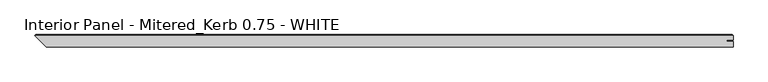
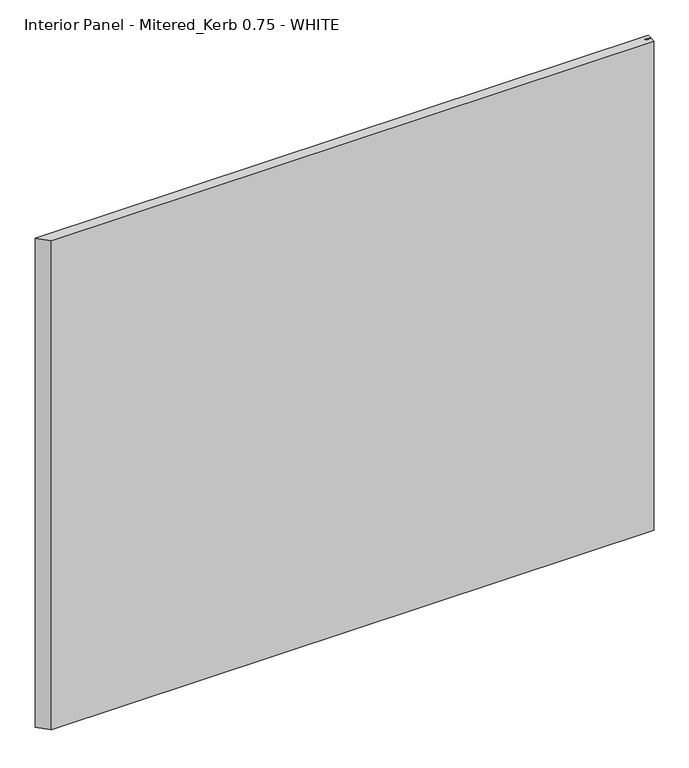
"""IFC4 building model written with IfcOpenShell, lengths in millimetres: proxy geometry, Interior Panel - Mitered_Kerb 0.75 - WHITE."""

from ifc_helpers import new_model, si_unit, origin, place, context, project, spatial, faceted_brep, source, transform, mapped, element, save


def interior_panel_mitered_kerb_0_75_white_84658b73(model_context):
    return source(origin(), model_context, "Body", "Brep", [
        faceted_brep([(1010.840625, -3.175, 914.4), (1010.840625, 5.2832, 914.4), (1001.0179687, 5.2832, 914.4), (1001.0179687, 7.4168, 914.4), (1010.840625, 7.4168, 914.4), (1010.840625, 14.2875, 914.4), (-73.025, 14.2875, 914.4), (-55.5625, -3.175, 914.4), (1010.840625, -3.175, 0.0), (-55.5625, -3.175, 0.0), (-73.025, 14.2875, 0.0), (1010.840625, 14.2875, 0.0), (1010.840625, 7.4168, 0.0), (1001.0179687, 7.4168, 0.0), (1001.0179687, 5.2832, 0.0), (1010.840625, 5.2832, 0.0), (-71.4375, 15.875, 912.8125), (1009.253125, 15.875, 912.8125), (1009.253125, 15.875, 1.5875), (-71.4375, 15.875, 1.5875)], [[[0, 1, 2, 3, 4, 5, 6, 7]], [[8, 9, 10, 11, 12, 13, 14, 15]], [[7, 9, 8, 0]], [[16, 17, 18, 19]], [[4, 12, 11, 5]], [[11, 18, 17, 5]], [[5, 17, 16, 6]], [[10, 19, 18, 11]], [[3, 13, 12, 4]], [[2, 14, 13, 3]], [[1, 15, 14, 2]], [[0, 8, 15, 1]], [[6, 16, 19, 10]], [[6, 10, 9, 7]]]),
    ])


if __name__ == "__main__":
    model = new_model("IFC4")
    model_context = context("Model", 3, world=origin())
    ifc_project = project(units=[si_unit("LENGTHUNIT", "METRE", prefix="MILLI")], contexts=[model_context])
    site = spatial("IfcSite", under=ifc_project)
    building = spatial("IfcBuilding", under=site)
    placement = place(None, origin())
    interior_panel_mitered_kerb_0_75_white_shape = interior_panel_mitered_kerb_0_75_white_84658b73(model_context)
    element("IfcBuildingElementProxy", 1, Name="Interior Panel - Mitered_Kerb 0.75 - WHITE", ObjectType="Interior Panel - Mitered_Kerb 0.75 - WHITE", at=placement, inside=building, context=model_context, shape_type="MappedRepresentation", body=[
        mapped(interior_panel_mitered_kerb_0_75_white_shape, transform((0.0, 0.0, 0.0), x_axis=(1.0, 0.0, 0.0), y_axis=(0.0, 1.0, 0.0), z_axis=(0.0, 0.0, 1.0))),
    ])
    save(model, "model.ifc")
